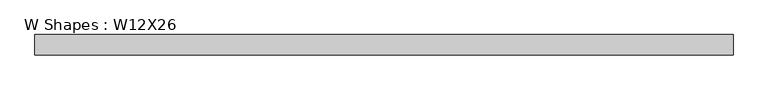
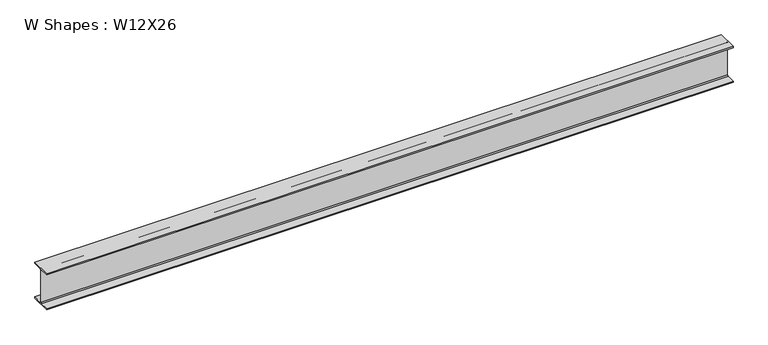
"""IFC4 building model written with IfcOpenShell, lengths in millimetres: beam geometry, W Shapes : W12X26."""

from ifc_helpers import new_model, si_unit, point, frame, frame_2d, origin, place, context, project, spatial, polyline, circle_curve, trimmed, segment, composite_curve, outline, extrude, source, transform, mapped, element, save


def w_shapes_w12x26_8ff77115(model_context):
    return source(origin(), model_context, "Body", "SweptSolid", [
        extrude(outline(composite_curve([segment(polyline([(82.423, -145.288), (82.423, -154.94), (-82.423, -154.94), (-82.423, -145.288), (-10.541, -145.288)]), True, "CONTINUOUS"), segment(trimmed(circle_curve(frame_2d((-10.541, -137.668)), 7.62), [point((-10.541, -145.288))], [point((-2.921, -137.668))], True, "CARTESIAN"), True, "CONTINUOUS"), segment(polyline([(-2.921, -137.668), (-2.921, 137.668)]), True, "CONTINUOUS"), segment(trimmed(circle_curve(frame_2d((-10.541, 137.668)), 7.62), [point((-2.921, 137.668))], [point((-10.541, 145.288))], True, "CARTESIAN"), True, "CONTINUOUS"), segment(polyline([(-10.541, 145.288), (-82.423, 145.288), (-82.423, 154.94), (82.423, 154.94), (82.423, 145.288), (10.541, 145.288)]), True, "CONTINUOUS"), segment(trimmed(circle_curve(frame_2d((10.541, 137.668)), 7.62), [point((10.541, 145.288))], [point((2.921, 137.668))], True, "CARTESIAN"), True, "CONTINUOUS"), segment(polyline([(2.921, 137.668), (2.921, -137.668)]), True, "CONTINUOUS"), segment(trimmed(circle_curve(frame_2d((10.541, -137.668)), 7.62), [point((2.921, -137.668))], [point((10.541, -145.288))], True, "CARTESIAN"), True, "CONTINUOUS"), segment(polyline([(10.541, -145.288), (82.423, -145.288)]), True, "CONTINUOUS")], self_intersect=False)), frame((-2806.7, 0.0, 0.0), z_axis=(1.0, 0.0, 0.0), x_axis=(0.0, 1.0, 0.0)), (0.0, 0.0, 1.0), 5613.4),
    ])


if __name__ == "__main__":
    model = new_model("IFC4")
    model_context = context("Model", 3, world=origin())
    ifc_project = project(units=[si_unit("LENGTHUNIT", "METRE", prefix="MILLI")], contexts=[model_context])
    site = spatial("IfcSite", under=ifc_project)
    building = spatial("IfcBuilding", under=site)
    placement = place(None, origin())
    w_shapes_w12x26_shape = w_shapes_w12x26_8ff77115(model_context)
    element("IfcBeam", 1, ObjectType="W Shapes : W12X26", at=placement, inside=building, context=model_context, shape_type="MappedRepresentation", body=[
        mapped(w_shapes_w12x26_shape, transform((0.0, 0.0, 0.0), x_axis=(1.0, 0.0, 0.0), y_axis=(0.0, 1.0, 0.0), z_axis=(0.0, 0.0, 1.0))),
    ])
    save(model, "model.ifc")
